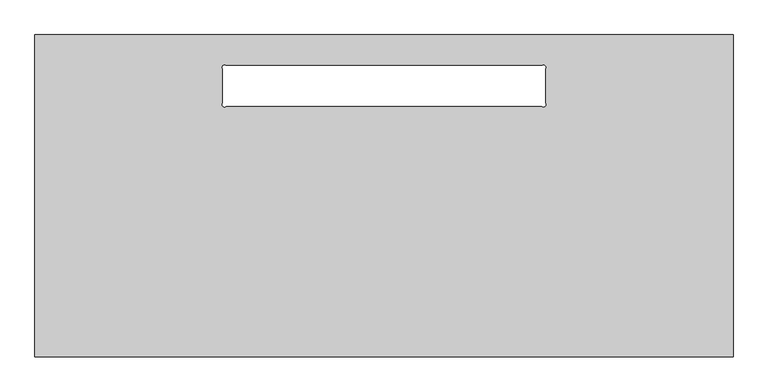
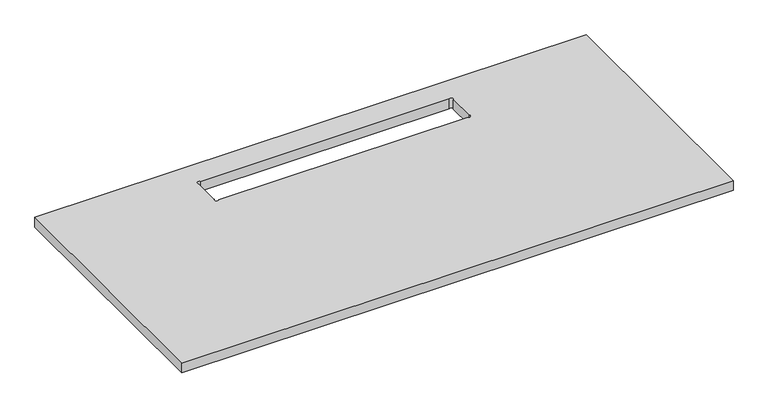
"""IFC4 building model written with IfcOpenShell, lengths in millimetres: furniture geometry."""

from ifc_helpers import new_model, si_unit, point, frame, frame_2d, origin, place, context, project, spatial, polyline, circle_curve, trimmed, segment, composite_curve, outline, extrude, source, transform, mapped, element, save


def furniture_6993128d(model_context):
    return source(origin(), model_context, "Body", "SweptSolid", [
        extrude(outline(polyline([(1981.2, 0.0), (1981.2, -914.4), (0.0, -914.4), (0.0, 0.0), (1981.2, 0.0)]), holes=[composite_curve([segment(polyline([(1438.5002043, -88.1379977), (542.6997685, -88.1379977)]), True, "CONTINUOUS"), segment(trimmed(circle_curve(frame_2d((538.0498842, -92.7878819)), 6.5759293), [point((542.6997685, -88.1379977))], [point((533.4, -97.4377662))], True, "CARTESIAN"), True, "CONTINUOUS"), segment(polyline([(533.4, -97.4377662), (533.4, -193.4430435)]), True, "CONTINUOUS"), segment(trimmed(circle_curve(frame_2d((538.0498797, -198.0929232)), 6.5759229), [point((533.4, -193.4430435))], [point((542.6997594, -202.7428029))], True, "CARTESIAN"), True, "CONTINUOUS"), segment(polyline([(542.6997594, -202.7428029), (1438.5002406, -202.7428029)]), True, "CONTINUOUS"), segment(trimmed(circle_curve(frame_2d((1443.1501203, -198.0929232)), 6.5759229), [point((1438.5002406, -202.7428029))], [point((1447.8, -193.4430435))], True, "CARTESIAN"), True, "CONTINUOUS"), segment(polyline([(1447.8, -193.4430435), (1447.8, -97.4377934)]), True, "CONTINUOUS"), segment(trimmed(circle_curve(frame_2d((1443.1501021, -92.7878956)), 6.5759486), [point((1447.8, -97.4377934))], [point((1438.5002043, -88.1379977))], True, "CARTESIAN"), True, "CONTINUOUS")], self_intersect=False)]), frame((0.0, 0.0, 698.5), z_axis=(0.0, 0.0, 1.0), x_axis=(1.0, 0.0, 0.0)), (0.0, 0.0, 1.0), 36.322),
    ])


if __name__ == "__main__":
    model = new_model("IFC4")
    model_context = context("Model", 3, world=origin())
    ifc_project = project(units=[si_unit("LENGTHUNIT", "METRE", prefix="MILLI")], contexts=[model_context])
    site = spatial("IfcSite", under=ifc_project)
    building = spatial("IfcBuilding", under=site)
    placement = place(None, origin())
    furniture_shape = furniture_6993128d(model_context)
    element("IfcFurniture", 1, at=placement, inside=building, context=model_context, shape_type="MappedRepresentation", body=[
        mapped(furniture_shape, transform((0.0, 0.0, 0.0), x_axis=(1.0, 0.0, 0.0), y_axis=(0.0, 1.0, 0.0), z_axis=(0.0, 0.0, 1.0))),
    ])
    save(model, "model.ifc")
